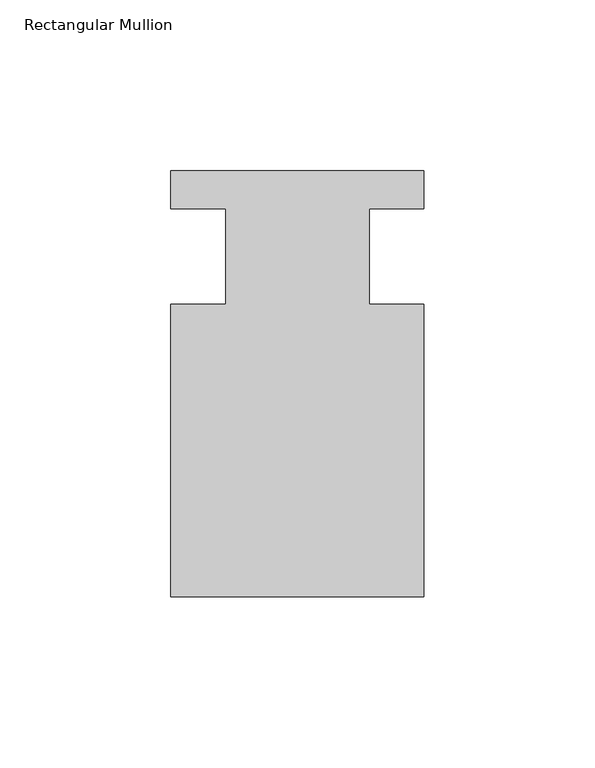
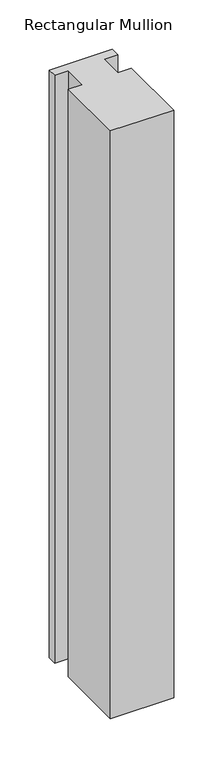
"""IFC4 building model written with IfcOpenShell, lengths in millimetres: member geometry, Rectangular Mullion."""

from ifc_helpers import new_model, si_unit, frame, origin, place, context, project, spatial, polyline, outline, extrude, source, transform, mapped, element, save


def rectangular_mullion_3fc4bca8(model_context):
    return source(origin(), model_context, "Body", "SweptSolid", [
        extrude(outline(polyline([(-20.9800745, -13.9998907), (-20.9800745, 14.0), (-37.0, 14.0), (-37.0, 25.0), (36.9800745, 25.0), (36.9800745, 14.0), (20.9800745, 14.0), (20.9800745, -13.9998907), (37.0, -13.9998907), (37.0, -99.5), (-37.0, -99.5), (-37.0, -13.9998907), (-20.9800745, -13.9998907)])), frame((0.0, 0.0, -729.0936625), z_axis=(0.0, 0.0, 1.0), x_axis=(1.0, 0.0, 0.0)), (0.0, 0.0, 1.0), 729.0936625),
    ])


if __name__ == "__main__":
    model = new_model("IFC4")
    model_context = context("Model", 3, world=origin())
    ifc_project = project(units=[si_unit("LENGTHUNIT", "METRE", prefix="MILLI")], contexts=[model_context])
    site = spatial("IfcSite", under=ifc_project)
    building = spatial("IfcBuilding", under=site)
    placement = place(None, origin())
    rectangular_mullion_shape = rectangular_mullion_3fc4bca8(model_context)
    element("IfcMember", 1, ObjectType="Rectangular Mullion", at=placement, inside=building, context=model_context, shape_type="MappedRepresentation", body=[
        mapped(rectangular_mullion_shape, transform((0.0, 0.0, 0.0), x_axis=(1.0, 0.0, 0.0), y_axis=(0.0, 1.0, 0.0), z_axis=(0.0, 0.0, 1.0))),
    ])
    save(model, "model.ifc")
